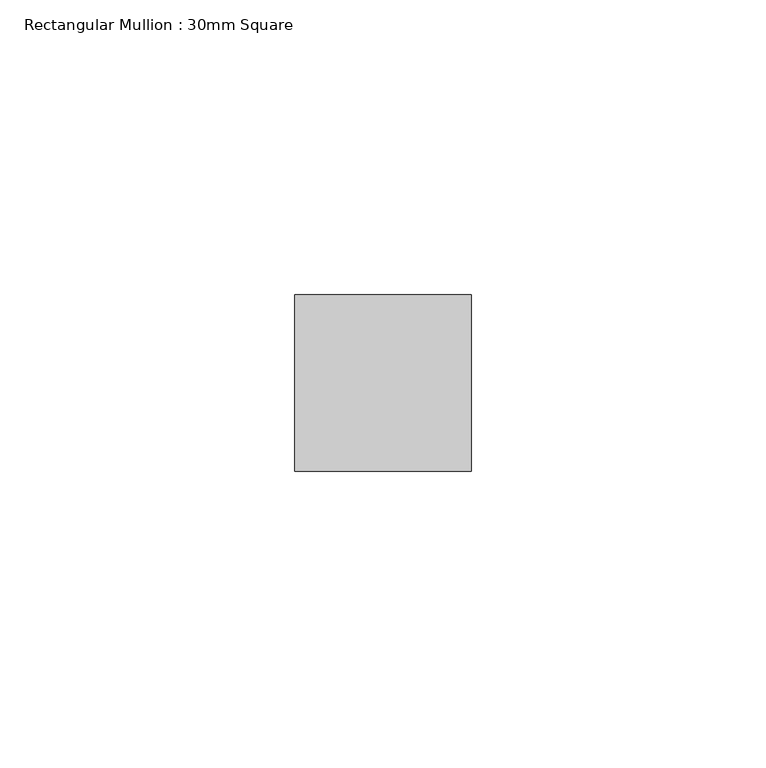
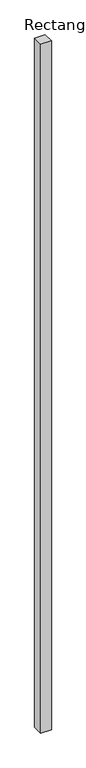
"""IFC4 building model written with IfcOpenShell, lengths in millimetres: member geometry, Rectangular Mullion : 30mm Square."""

from ifc_helpers import new_model, si_unit, frame, origin, place, context, project, spatial, polyline, outline, extrude, source, transform, mapped, element, save


def rectangular_mullion_30mm_square_86065b1c(model_context):
    return source(origin(), model_context, "Body", "SweptSolid", [
        extrude(outline(polyline([(15.0, 15.0), (15.0, -15.0), (-15.0, -15.0), (-15.0, 15.0), (15.0, 15.0)])), frame((0.0, 0.0, -2070.8130619), z_axis=(0.0, 0.0, 1.0), x_axis=(1.0, 0.0, 0.0)), (0.0, 0.0, 1.0), 2070.8130619),
    ])


if __name__ == "__main__":
    model = new_model("IFC4")
    model_context = context("Model", 3, world=origin())
    ifc_project = project(units=[si_unit("LENGTHUNIT", "METRE", prefix="MILLI")], contexts=[model_context])
    site = spatial("IfcSite", under=ifc_project)
    building = spatial("IfcBuilding", under=site)
    placement = place(None, origin())
    rectangular_mullion_30mm_square_shape = rectangular_mullion_30mm_square_86065b1c(model_context)
    element("IfcMember", 1, ObjectType="Rectangular Mullion : 30mm Square", at=placement, inside=building, context=model_context, shape_type="MappedRepresentation", body=[
        mapped(rectangular_mullion_30mm_square_shape, transform((0.0, 0.0, 0.0), x_axis=(1.0, 0.0, 0.0), y_axis=(0.0, 1.0, 0.0), z_axis=(0.0, 0.0, 1.0))),
    ])
    save(model, "model.ifc")
